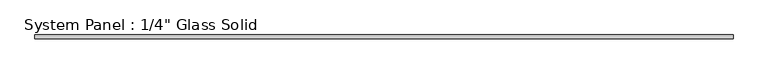
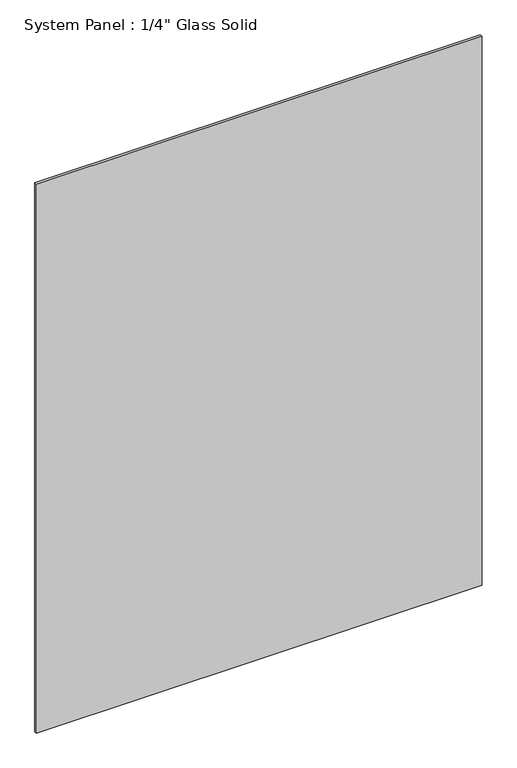
"""IFC4 building model written with IfcOpenShell, lengths in millimetres: plate geometry."""

from ifc_helpers import new_model, si_unit, origin, origin_with_axes, place, context, project, spatial, polyline, outline, extrude, source, transform, mapped, element, save


def plate_2fca8866(model_context):
    return source(origin(), model_context, "Body", "SweptSolid", [
        extrude(outline(polyline([(558.2220691, -3.175), (-558.2220691, -3.175), (-558.2220691, 3.175), (558.2220691, 3.175), (558.2220691, -3.175)])), origin_with_axes(), (0.0, 0.0, 1.0), 1452.8817704),
    ])


if __name__ == "__main__":
    model = new_model("IFC4")
    model_context = context("Model", 3, world=origin())
    ifc_project = project(units=[si_unit("LENGTHUNIT", "METRE", prefix="MILLI")], contexts=[model_context])
    site = spatial("IfcSite", under=ifc_project)
    building = spatial("IfcBuilding", under=site)
    placement = place(None, origin())
    plate_shape = plate_2fca8866(model_context)
    element("IfcPlate", 1, ObjectType="System Panel : 1/4\" Glass Solid", at=placement, inside=building, context=model_context, shape_type="MappedRepresentation", body=[
        mapped(plate_shape, transform((0.0, 0.0, 0.0), x_axis=(1.0, 0.0, 0.0), y_axis=(0.0, 1.0, 0.0), z_axis=(0.0, 0.0, 1.0))),
    ])
    save(model, "model.ifc")
